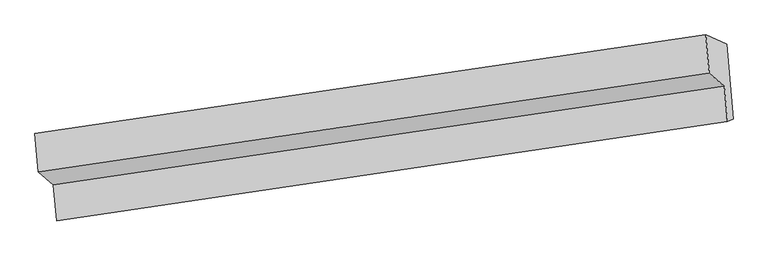
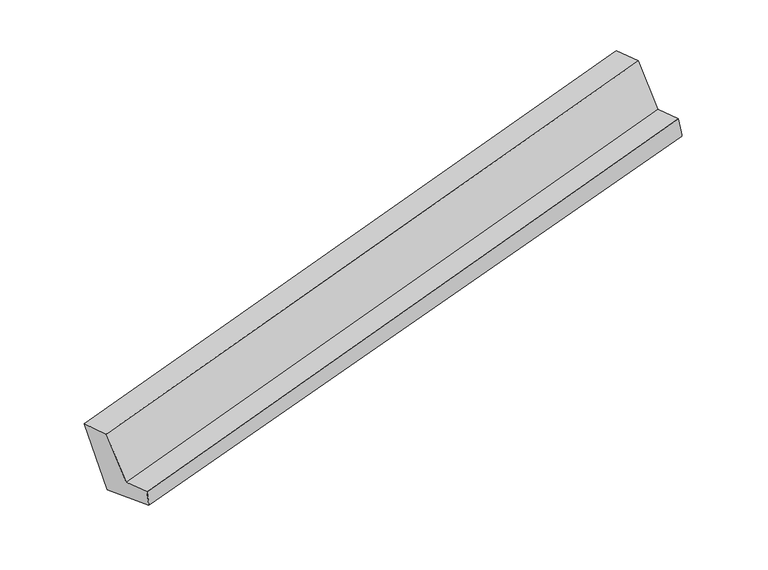
"""IFC4 building model written with IfcOpenShell, lengths in millimetres: proxy geometry."""

from ifc_helpers import new_model, si_unit, frame, origin, place, context, project, spatial, source, transform, mapped, element, save
from ifc_brep_helpers import plane_surface, spline_surface, advanced_brep


def generic_models_dcf65630(model_context):
    return source(origin(), model_context, "Body", "AdvancedBrep", [
        advanced_brep(
        [(-6214.3274323, -2443.4107577, 1095.3076537), (-6172.1741734, -2407.3530387, 894.5999184), (682.5645994, -1400.8905353, 2469.9759512), (625.2529981, -1429.2160288, 2730.032838), (-6223.6455159, -1645.6817226, 640.4382105), (616.5799109, -638.9350639, 2277.0492422), (-6435.5662558, -1548.2830771, 1476.7981675), (404.659171, -541.5364185, 3113.4091991), (-6401.5859215, -1940.6695873, 1576.1502175), (438.6395053, -933.9229286, 3212.7612491), (-6246.4267374, -2072.7453552, 1001.4553763), (593.7986894, -1065.9986965, 2638.0664079)],
        [
            (0, 1),
            (1, 2),
            (2, 3),
            (3, 0),
            (1, 4),
            (4, 5),
            (5, 2),
            (4, 6),
            (6, 7),
            (7, 5),
            (6, 8),
            (8, 9),
            (9, 7),
            (8, 10),
            (10, 11),
            (11, 9),
            (10, 0),
            (3, 11),
        ],
        [
            spline_surface(1, 1, [[(-6214.3274323, -2443.4107577, 1095.3076537), (625.2529981, -1429.2160288, 2730.032838)], [(-6172.1741734, -2407.3530387, 894.5999184), (682.5645994, -1400.8905353, 2469.9759512)]], [2, 2], [2, 2], [0.0, 1.0], [0.0, 1.0]),
            spline_surface(1, 1, [[(-6172.1741734, -2407.3530387, 894.5999184), (682.5645994, -1400.8905353, 2469.9759512)], [(-6223.6455159, -1645.6817226, 640.4382105), (616.5799109, -638.9350639, 2277.0492422)]], [2, 2], [2, 2], [0.0, 1.0], [0.0, 1.0]),
            plane_surface(frame((-6329.6058859, -1596.9823999, 1058.618189), z_axis=(-0.11064941524182453, 0.9835790065015452, -0.14257995958786146), x_axis=(-0.24407205986039676, 0.11217537289944349, 0.9632473801212095))),
            plane_surface(frame((-6418.5760886, -1744.4763322, 1526.4741925), z_axis=(-0.2571755231247086, 0.21620915258590745, 0.9418674814662711), x_axis=(0.08365565948745654, -0.9660102796756982, 0.24459327504369008))),
            plane_surface(frame((-6324.0063294, -2006.7074713, 1288.8027969), z_axis=(0.08365565948747802, -0.9660102796756966, 0.24459327504368897), x_axis=(0.25446446931844485, -0.21660715982306128, -0.9425121602228106))),
            plane_surface(frame((-6230.3770848, -2258.0780564, 1048.381515), z_axis=(-0.2571755231247092, 0.21620915258590076, 0.9418674814662724), x_axis=(0.0836556594874781, -0.9660102796756967, 0.24459327504368844))),
            plane_surface(frame((560.2491457, -1001.7499453, 2740.2158146), z_axis=(0.9634570901136166, 0.14108677427125946, 0.22769487836913088), x_axis=(0.25446446931844485, -0.21660715982306128, -0.9425121602228106))),
            plane_surface(frame((-6282.2876727, -2009.6905898, 1114.124924), z_axis=(-0.9634570901136169, -0.14108677427125896, -0.22769487836913005), x_axis=(-0.08365565948747736, 0.9660102796756964, -0.24459327504369008))),
        ],
        [
            (0, [[1, 2, 3, 4]]),
            (1, [[5, 6, 7, -2]]),
            (2, [[8, 9, 10, -6]]),
            (3, [[11, 12, 13, -9]]),
            (4, [[14, 15, 16, -12]]),
            (5, [[17, -4, 18, -15]]),
            (6, [[-16, -18, -3, -7, -10, -13]]),
            (7, [[-17, -14, -11, -8, -5, -1]]),
        ],
    ),
    ])


if __name__ == "__main__":
    model = new_model("IFC4")
    model_context = context("Model", 3, world=origin())
    ifc_project = project(units=[si_unit("LENGTHUNIT", "METRE", prefix="MILLI")], contexts=[model_context])
    site = spatial("IfcSite", under=ifc_project)
    building = spatial("IfcBuilding", under=site)
    placement = place(None, origin())
    generic_models_shape = generic_models_dcf65630(model_context)
    element("IfcBuildingElementProxy", 1, Name="Generic Models", at=placement, inside=building, context=model_context, shape_type="MappedRepresentation", body=[
        mapped(generic_models_shape, transform((0.0, 0.0, 0.0), x_axis=(1.0, 0.0, 0.0), y_axis=(0.0, 1.0, 0.0), z_axis=(0.0, 0.0, 1.0))),
    ])
    save(model, "model.ifc")
